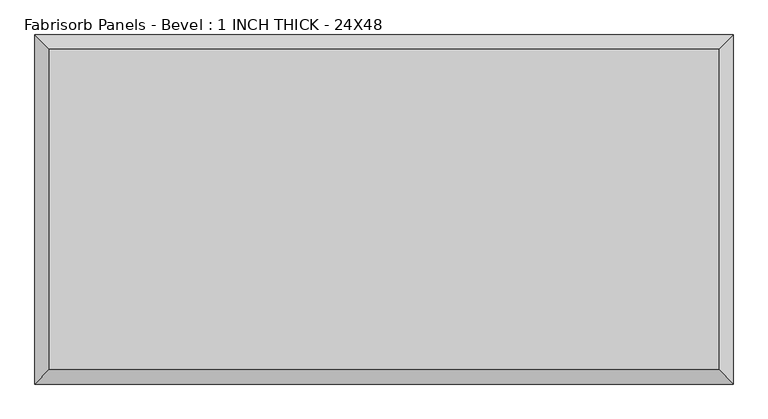
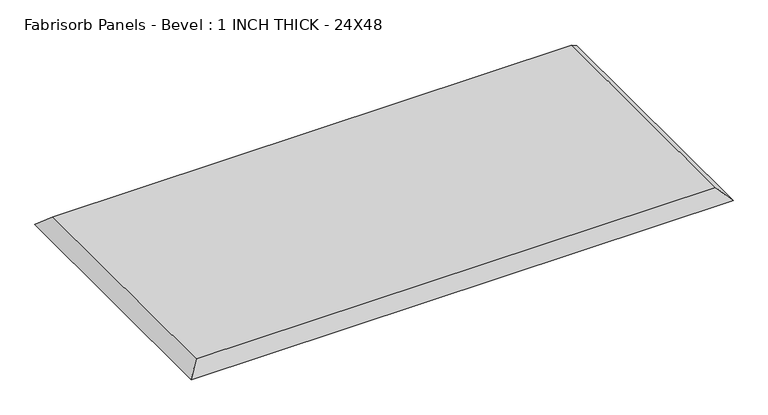
"""IFC4 building model written with IfcOpenShell, lengths in millimetres: proxy geometry, Fabrisorb Panels - Bevel : 1 INCH THICK - 24X48."""

from ifc_helpers import new_model, si_unit, origin, place, context, project, spatial, faceted_brep, source, transform, mapped, element, save


def fabrisorb_panels_bevel_1_inch_thick_24x48_c3bf5b06(model_context):
    return source(origin(), model_context, "Body", "Brep", [
        faceted_brep([(584.2, 279.4, 25.4), (-584.2, 279.4, 25.4), (-584.2, -279.4, 25.4), (584.2, -279.4, 25.4), (-609.6, 304.8, 0.0), (609.6, 304.8, 0.0), (609.6, -304.8, 0.0), (-609.6, -304.8, 0.0)], [[[0, 1, 2, 3]], [[4, 5, 6, 7]], [[4, 1, 0, 5]], [[1, 4, 7, 2]], [[2, 7, 6, 3]], [[5, 0, 3, 6]]]),
    ])


if __name__ == "__main__":
    model = new_model("IFC4")
    model_context = context("Model", 3, world=origin())
    ifc_project = project(units=[si_unit("LENGTHUNIT", "METRE", prefix="MILLI")], contexts=[model_context])
    site = spatial("IfcSite", under=ifc_project)
    building = spatial("IfcBuilding", under=site)
    placement = place(None, origin())
    fabrisorb_panels_bevel_1_inch_thick_24x48_shape = fabrisorb_panels_bevel_1_inch_thick_24x48_c3bf5b06(model_context)
    element("IfcBuildingElementProxy", 1, Name="Fabrisorb Panels - Bevel : 1 INCH THICK - 24X48", ObjectType="Fabrisorb Panels - Bevel : 1 INCH THICK - 24X48", at=placement, inside=building, context=model_context, shape_type="MappedRepresentation", body=[
        mapped(fabrisorb_panels_bevel_1_inch_thick_24x48_shape, transform((0.0, 0.0, 0.0), x_axis=(1.0, 0.0, 0.0), y_axis=(0.0, 1.0, 0.0), z_axis=(0.0, 0.0, 1.0))),
    ])
    save(model, "model.ifc")
